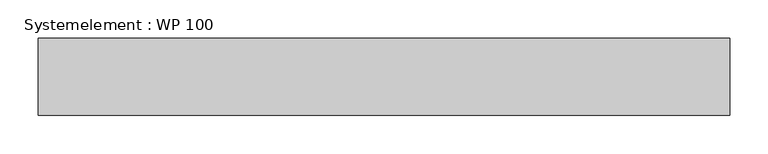
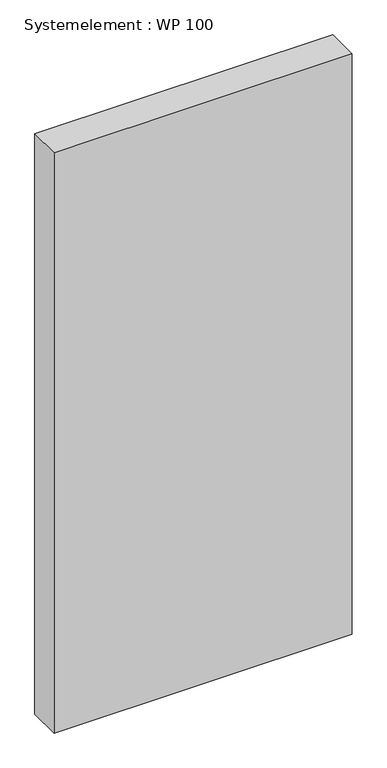
"""IFC4 building model written with IfcOpenShell, lengths in millimetres: plate geometry, Systemelement : WP 100."""

from ifc_helpers import new_model, si_unit, origin, origin_with_axes, place, context, project, spatial, polyline, outline, extrude, source, transform, mapped, element, save


def systemelement_wp_100_43b5d11d(model_context):
    return source(origin(), model_context, "Body", "SweptSolid", [
        extrude(outline(polyline([(450.0, -100.0), (-450.0, -100.0), (-450.0, 0.0), (450.0, 0.0), (450.0, -100.0)])), origin_with_axes(), (0.0, 0.0, 1.0), 1851.6147161),
    ])


if __name__ == "__main__":
    model = new_model("IFC4")
    model_context = context("Model", 3, world=origin())
    ifc_project = project(units=[si_unit("LENGTHUNIT", "METRE", prefix="MILLI")], contexts=[model_context])
    site = spatial("IfcSite", under=ifc_project)
    building = spatial("IfcBuilding", under=site)
    placement = place(None, origin())
    systemelement_wp_100_shape = systemelement_wp_100_43b5d11d(model_context)
    element("IfcPlate", 1, ObjectType="Systemelement : WP 100", at=placement, inside=building, context=model_context, shape_type="MappedRepresentation", body=[
        mapped(systemelement_wp_100_shape, transform((0.0, 0.0, 0.0), x_axis=(1.0, 0.0, 0.0), y_axis=(0.0, 1.0, 0.0), z_axis=(0.0, 0.0, 1.0))),
    ])
    save(model, "model.ifc")
